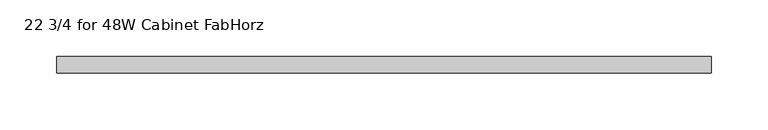
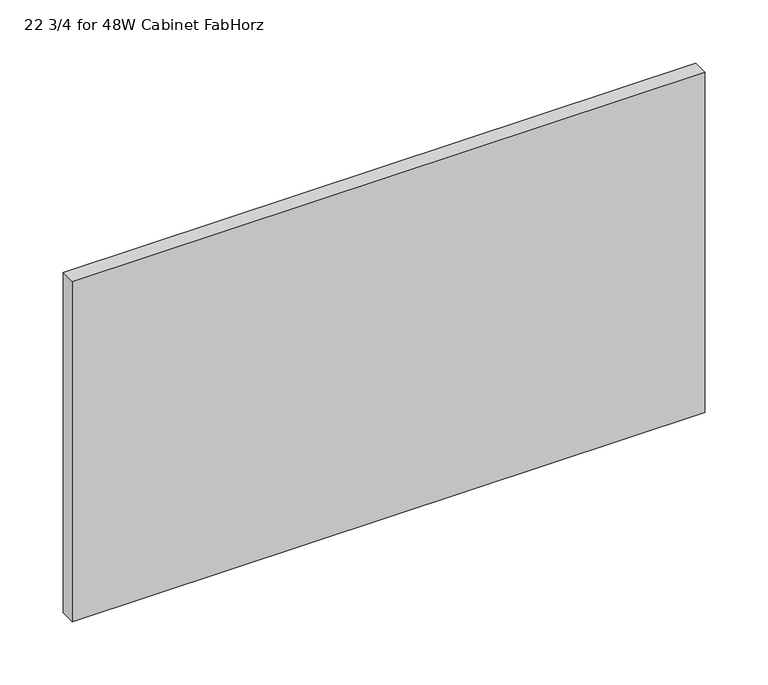
"""IFC4 building model written with IfcOpenShell, lengths in millimetres: furniture geometry, 22 3/4 for 48W Cabinet FabHorz."""

import ifcopenshell
import ifcopenshell.guid

model = None  # the IFC model being written
_history = None  # IfcOwnerHistory: only IFC2X3 demands one
_inside = {}  # id of a spatial element -> (the spatial element, [elements in it])
_under = {}  # id of a project, library or spatial element -> (it, [spatial elements below it])
_declared = {}  # id of a project -> (the project, [libraries it declares])
_typed = {}  # id of a type object -> (the type object, [elements of that type])
_made_of = {}  # id of a material, layer set ... -> (it, [elements and type objects made of it])


def new_model(schema):
    """Start an empty IFC model of exactly this schema.

    Asked for "IFC4X3", IfcOpenShell would pick the latest addendum, in which some entities
    have other attributes; the version numbers below select the first issue.
    IFC2X3 requires an IfcOwnerHistory on every rooted entity: one is made here for all.
    """
    global model, _history
    if schema == "IFC4X3":
        model = ifcopenshell.file(schema_version=(4, 3, 0, 0))
    else:
        model = ifcopenshell.file(schema=schema)
    _inside.clear()
    _under.clear()
    _declared.clear()
    _typed.clear()
    _made_of.clear()
    _history = None
    if model.schema == "IFC2X3":
        org = make("IfcOrganization", Name="unknown")
        user = make(
            "IfcPersonAndOrganization",
            ThePerson=make("IfcPerson", FamilyName="unknown"),
            TheOrganization=org,
        )
        app = make(
            "IfcApplication",
            ApplicationDeveloper=org,
            Version="unknown",
            ApplicationFullName="unknown",
            ApplicationIdentifier="unknown",
        )
        _history = make(
            "IfcOwnerHistory",
            OwningUser=user,
            OwningApplication=app,
            ChangeAction="ADDED",
            CreationDate=0,
        )
    return model


def make(cls, **values):
    """One entity of the class cls with the attributes given. An attribute that is None is left unset."""
    return model.create_entity(
        cls, **{name: value for name, value in values.items() if value is not None}
    )


def rooted(cls, **values):
    """An entity with a GlobalId (a new one), such as an element, a storey or a relation."""
    return make(cls, GlobalId=ifcopenshell.guid.new(), OwnerHistory=_history, **values)


def si_unit(unit_type, name, prefix=None):
    """IfcSIUnit, for example si_unit("LENGTHUNIT", "METRE", prefix="MILLI")."""
    return make("IfcSIUnit", UnitType=unit_type, Prefix=prefix, Name=name)


def assignment(units):
    """IfcUnitAssignment: the units of a project."""
    return None if units is None else make("IfcUnitAssignment", Units=units)


def point(xyz):
    """IfcCartesianPoint."""
    return None if xyz is None else make("IfcCartesianPoint", Coordinates=xyz)


def direction(xyz):
    """IfcDirection."""
    return None if xyz is None else make("IfcDirection", DirectionRatios=xyz)


def frame(location, z_axis=None, x_axis=None):
    """IfcAxis2Placement3D, a coordinate frame: its origin and axes. An axis left out is left unset."""
    return make(
        "IfcAxis2Placement3D",
        Location=point(location),
        Axis=direction(z_axis),
        RefDirection=direction(x_axis),
    )


def origin():
    """The frame at (0, 0, 0) with its axes left unset."""
    return frame((0.0, 0.0, 0.0))


def place(relative_to, where):
    """IfcLocalPlacement: puts the frame where relative to a parent placement (None: the world)."""
    return make(
        "IfcLocalPlacement", PlacementRelTo=relative_to, RelativePlacement=where
    )


def context(
    kind, dimensions, precision=None, world=None, true_north=None, identifier=None
):
    """IfcGeometricRepresentationContext, for example the 3D "Model" context."""
    return make(
        "IfcGeometricRepresentationContext",
        ContextIdentifier=identifier,
        ContextType=kind,
        CoordinateSpaceDimension=dimensions,
        Precision=precision,
        WorldCoordinateSystem=world,
        TrueNorth=true_north,
    )


def project(units=None, contexts=None):
    """IfcProject with its units and contexts."""
    return rooted(
        "IfcProject",
        Name="project",
        RepresentationContexts=contexts,
        UnitsInContext=assignment(units),
    )


def spatial(cls, under=None, at=None, **own):
    """A site, building, storey or space (cls), placed at a placement, below another one or the project."""
    s = rooted(cls, ObjectPlacement=at, **own)
    if under is not None:
        _under.setdefault(under.id(), (under, []))[1].append(s)
    return s


def polyline(points):
    """IfcPolyline through the points."""
    return make("IfcPolyline", Points=[point(p) for p in points])


def outline(outer, holes=None, kind="AREA"):
    """IfcArbitraryClosedProfileDef: a profile drawn as a closed curve; with holes, ...WithVoids."""
    if holes is None:
        return make("IfcArbitraryClosedProfileDef", ProfileType=kind, OuterCurve=outer)
    return make(
        "IfcArbitraryProfileDefWithVoids",
        ProfileType=kind,
        OuterCurve=outer,
        InnerCurves=holes,
    )


def extrude(swept, where, along, depth):
    """IfcExtrudedAreaSolid: the profile swept, set in the frame where, extruded along a direction by depth."""
    return make(
        "IfcExtrudedAreaSolid",
        SweptArea=swept,
        Position=where,
        ExtrudedDirection=direction(along),
        Depth=depth,
    )


def shape(context_of_items, identifier, shape_type, items):
    """IfcShapeRepresentation: the items that make up one representation, for example the "Body"."""
    return make(
        "IfcShapeRepresentation",
        ContextOfItems=context_of_items,
        RepresentationIdentifier=identifier,
        RepresentationType=shape_type,
        Items=items,
    )


def source(mapping_origin, context_of_items, identifier, shape_type, items):
    """IfcRepresentationMap: a shape defined once, which mapped items show again and again."""
    return make(
        "IfcRepresentationMap",
        MappingOrigin=mapping_origin,
        MappedRepresentation=shape(context_of_items, identifier, shape_type, items),
    )


def transform(
    local_origin,
    x_axis=None,
    y_axis=None,
    z_axis=None,
    scale=None,
    scale2=None,
    scale3=None,
    uniform=True,
):
    """IfcCartesianTransformationOperator3D, or its non-uniform kind. x_axis, y_axis, z_axis: its Axis1, 2, 3."""
    if uniform:
        return make(
            "IfcCartesianTransformationOperator3D",
            Axis1=direction(x_axis),
            Axis2=direction(y_axis),
            LocalOrigin=point(local_origin),
            Scale=scale,
            Axis3=direction(z_axis),
        )
    return make(
        "IfcCartesianTransformationOperator3DnonUniform",
        Axis1=direction(x_axis),
        Axis2=direction(y_axis),
        LocalOrigin=point(local_origin),
        Scale=scale,
        Axis3=direction(z_axis),
        Scale2=scale2,
        Scale3=scale3,
    )


def mapped(mapping_source, mapping_target):
    """IfcMappedItem: shows the shape of a source again, moved by a transform."""
    return make(
        "IfcMappedItem", MappingSource=mapping_source, MappingTarget=mapping_target
    )


def made_of(thing, what):
    """Note that an element or type object is made of a material, layer set ...; save() writes the relation."""
    if what is not None:
        _made_of.setdefault(what.id(), (what, []))[1].append(thing)
    return thing


def element(
    cls,
    number,
    at=None,
    inside=None,
    cuts=None,
    type_object=None,
    material=None,
    context=None,
    identifier="Body",
    shape_type=None,
    held_by="IfcProductDefinitionShape",
    body=None,
    shapes=None,
    **own,
):
    """One element of the class cls, such as IfcWall. Its Tag is "e" and its number.

    at: its placement. inside: the storey or other place that contains it. cuts: it is an
    opening in that element (IfcRelVoidsElement). A single representation is given by context,
    identifier, shape_type and body (its items); several are given by shapes. held_by: the class
    of the entity that holds the representations. save() writes the other relations.
    """
    e = rooted(cls, Tag="e%d" % number, ObjectPlacement=at, **own)
    if body is not None:
        shapes = [shape(context, identifier, shape_type, body)]
    if shapes is not None:
        e.Representation = make(held_by, Representations=shapes)
    if inside is not None:
        _inside.setdefault(inside.id(), (inside, []))[1].append(e)
    if cuts is not None:
        rooted(
            "IfcRelVoidsElement", RelatingBuildingElement=cuts, RelatedOpeningElement=e
        )
    if type_object is not None:
        _typed.setdefault(type_object.id(), (type_object, []))[1].append(e)
    return made_of(e, material)


def aggregate(whole, parts):
    """IfcRelAggregates: a whole, such as a stair, and the parts it consists of."""
    return rooted("IfcRelAggregates", RelatingObject=whole, RelatedObjects=parts)


def save(model, path):
    """Write the relations noted so far, then the file.

    IfcRelAggregates (storeys below a building ...), IfcRelContainedInSpatialStructure (elements
    in a storey), IfcRelDefinesByType, IfcRelAssociatesMaterial and IfcRelDeclares: one each for
    every whole, place, type object, material and project.
    """
    for whole, parts in _under.values():
        aggregate(whole, parts)
    for where, things in _inside.values():
        rooted(
            "IfcRelContainedInSpatialStructure",
            RelatedElements=things,
            RelatingStructure=where,
        )
    for kind, things in _typed.values():
        rooted("IfcRelDefinesByType", RelatedObjects=things, RelatingType=kind)
    for what, things in _made_of.values():
        rooted("IfcRelAssociatesMaterial", RelatedObjects=things, RelatingMaterial=what)
    for by, libraries in _declared.values():
        rooted("IfcRelDeclares", RelatingContext=by, RelatedDefinitions=libraries)
    model.write(path)


def furniture_22_3_4_for_48w_cabinet_fabhorz_6992746e(model_context):
    return source(origin(), model_context, "Body", "SweptSolid", [
        extrude(outline(polyline([(288.925, -33.8601849), (288.925, -48.5445599), (-288.925, -48.5445599), (-288.925, -33.8601849), (288.925, -33.8601849)])), frame((0.0, 0.0, 1181.1), z_axis=(0.0, 0.0, 1.0), x_axis=(1.0, 0.0, 0.0)), (0.0, 0.0, 1.0), 328.9101562),
    ])


if __name__ == "__main__":
    model = new_model("IFC4")
    model_context = context("Model", 3, world=origin())
    ifc_project = project(units=[si_unit("LENGTHUNIT", "METRE", prefix="MILLI")], contexts=[model_context])
    site = spatial("IfcSite", under=ifc_project)
    building = spatial("IfcBuilding", under=site)
    placement = place(None, origin())
    furniture_22_3_4_for_48w_cabinet_fabhorz_shape = furniture_22_3_4_for_48w_cabinet_fabhorz_6992746e(model_context)
    element("IfcFurniture", 1, ObjectType="22 3/4 for 48W Cabinet FabHorz", at=placement, inside=building, context=model_context, shape_type="MappedRepresentation", body=[
        mapped(furniture_22_3_4_for_48w_cabinet_fabhorz_shape, transform((0.0, 0.0, 0.0), x_axis=(1.0, 0.0, 0.0), y_axis=(0.0, 1.0, 0.0), z_axis=(0.0, 0.0, 1.0))),
    ])
    save(model, "model.ifc")
